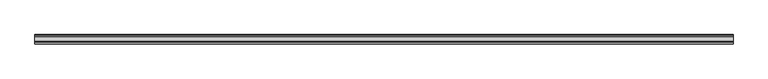
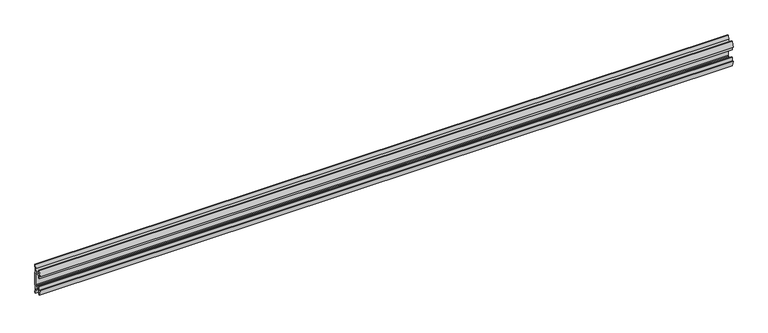
"""IFC4 building model written with IfcOpenShell, lengths in millimetres: furniture geometry."""

from ifc_helpers import new_model, si_unit, point, frame, frame_2d, origin, place, context, project, spatial, polyline, circle_curve, trimmed, segment, composite_curve, outline, extrude, source, transform, mapped, element, save


def furniture_77096079(model_context):
    return source(origin(), model_context, "Body", "SweptSolid", [
        extrude(outline(composite_curve([segment(polyline([(11.858323, 694.8845986), (10.7166987, 688.9251626)]), True, "CONTINUOUS"), segment(trimmed(circle_curve(frame_2d((88.1501042, 674.091568)), 78.8414093), [point((10.7166987, 688.9251626))], [point((9.4546262, 678.8863112))], True, "CARTESIAN"), True, "CONTINUOUS"), segment(polyline([(9.4546262, 678.8863112), (11.4773198, 676.8636177), (11.4773198, 643.9363823), (9.4546262, 641.9136888)]), True, "CONTINUOUS"), segment(trimmed(circle_curve(frame_2d((88.1501042, 646.708432)), 78.8414093), [point((9.4546262, 641.9136888))], [point((10.7166987, 631.8748374))], True, "CARTESIAN"), True, "CONTINUOUS"), segment(polyline([(10.7166987, 631.8748374), (11.858323, 625.9154014), (11.858323, 622.3006449), (9.3183016, 622.3006449), (7.5671861, 631.441709), (6.9977776, 638.1354675), (-5.9218281, 638.1354675), (-5.9218281, 627.5705449), (-8.4618484, 627.5705449), (-11.7914971, 641.0790462), (-8.4618484, 640.0801511), (-8.4618484, 649.6052306), (-5.9218281, 649.6052306), (-5.9218281, 640.715155), (6.7782802, 640.715155), (6.7782802, 643.269689), (8.8976323, 645.1120136), (8.8976323, 675.6910348), (6.7782802, 677.5454685), (-5.2868484, 677.5454685), (-5.2868484, 671.1954144), (-8.4618484, 671.1954144), (-8.4618484, 680.7204939), (-11.858323, 679.4504837), (-8.4618484, 693.2301), (-5.2868484, 693.2301), (-5.2868484, 680.0854899), (6.7782802, 680.0854899), (7.5671861, 689.3595809), (9.3183016, 698.5006449), (11.858323, 698.5006449), (11.858323, 694.8845986)]), True, "CONTINUOUS")], self_intersect=False)), frame((-889.0, 0.0, 0.0), z_axis=(1.0, 0.0, 0.0), x_axis=(0.0, 1.0, 0.0)), (0.0, 0.0, 1.0), 1778.0),
    ])


if __name__ == "__main__":
    model = new_model("IFC4")
    model_context = context("Model", 3, world=origin())
    ifc_project = project(units=[si_unit("LENGTHUNIT", "METRE", prefix="MILLI")], contexts=[model_context])
    site = spatial("IfcSite", under=ifc_project)
    building = spatial("IfcBuilding", under=site)
    placement = place(None, origin())
    furniture_shape = furniture_77096079(model_context)
    element("IfcFurniture", 1, at=placement, inside=building, context=model_context, shape_type="MappedRepresentation", body=[
        mapped(furniture_shape, transform((0.0, 0.0, 0.0), x_axis=(1.0, 0.0, 0.0), y_axis=(0.0, 1.0, 0.0), z_axis=(0.0, 0.0, 1.0))),
    ])
    save(model, "model.ifc")
